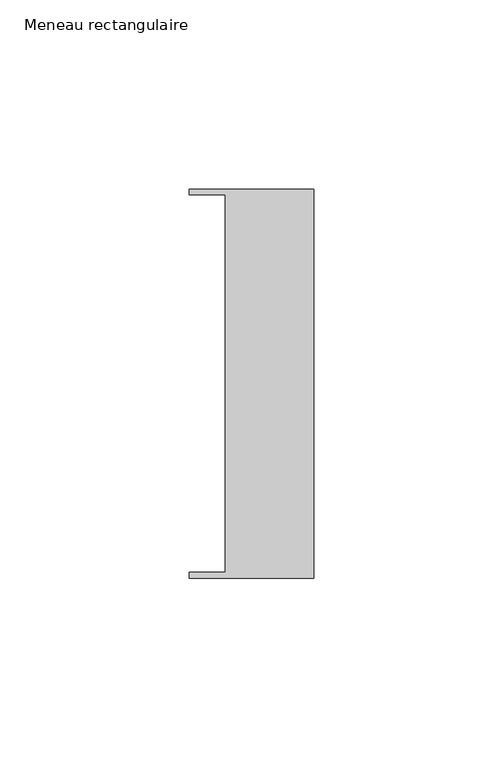
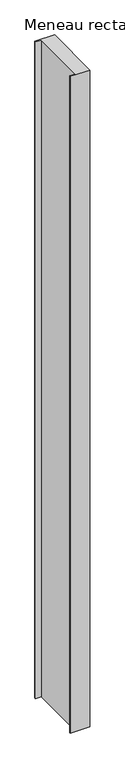
"""IFC4 building model written with IfcOpenShell, lengths in millimetres: member geometry, Meneau rectangulaire."""

from ifc_helpers import new_model, si_unit, frame, origin, place, context, project, spatial, polyline, outline, extrude, source, transform, mapped, element, save


def meneau_rectangulaire_bc5ba839(model_context):
    return source(origin(), model_context, "Body", "SweptSolid", [
        extrude(outline(polyline([(-33.0, 51.4622428), (0.0, 51.4622428), (0.0, -51.4712299), (-33.0, -51.4712299), (-33.0, -49.9505712), (-23.4, -49.9505712), (-23.4, 49.9614402), (-33.0, 49.9614402), (-33.0, 51.4622428)])), frame((0.0, 0.0, -1167.9000003), z_axis=(0.0, 0.0, 1.0), x_axis=(1.0, 0.0, 0.0)), (0.0, 0.0, 1.0), 1167.9000003),
    ])


if __name__ == "__main__":
    model = new_model("IFC4")
    model_context = context("Model", 3, world=origin())
    ifc_project = project(units=[si_unit("LENGTHUNIT", "METRE", prefix="MILLI")], contexts=[model_context])
    site = spatial("IfcSite", under=ifc_project)
    building = spatial("IfcBuilding", under=site)
    placement = place(None, origin())
    meneau_rectangulaire_shape = meneau_rectangulaire_bc5ba839(model_context)
    element("IfcMember", 1, ObjectType="Meneau rectangulaire", at=placement, inside=building, context=model_context, shape_type="MappedRepresentation", body=[
        mapped(meneau_rectangulaire_shape, transform((0.0, 0.0, 0.0), x_axis=(1.0, 0.0, 0.0), y_axis=(0.0, 1.0, 0.0), z_axis=(0.0, 0.0, 1.0))),
    ])
    save(model, "model.ifc")
